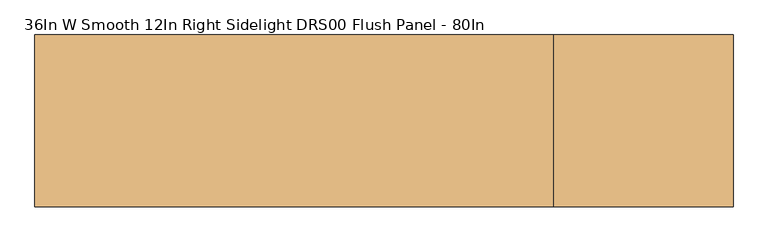
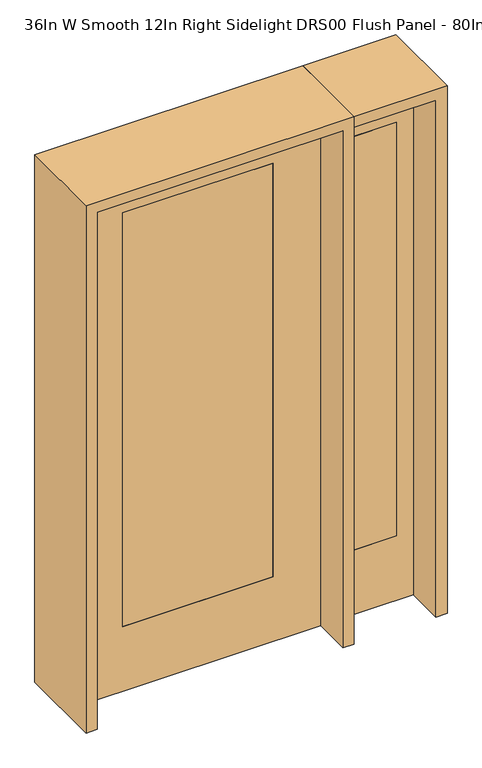
"""IFC4 building model written with IfcOpenShell, lengths in millimetres: door geometry, 36In W Smooth 12In Right Sidelight DRS00 Flush Panel - 80In."""

from ifc_helpers import new_model, si_unit, frame, origin, place, context, project, spatial, polyline, outline, extrude, source, transform, mapped, element, save


def door_36in_w_smooth_12in_right_sidelight_drs00_flush_panel_3be94fcc(model_context):
    return source(origin(), model_context, "Body", "SweptSolid", [
        extrude(outline(polyline([(739.775, -20.6375), (561.975, -20.6375), (561.975, 20.6375), (739.775, 20.6375), (739.775, -20.6375)])), frame((0.0, 0.0, 254.0), z_axis=(0.0, 0.0, 1.0), x_axis=(1.0, 0.0, 0.0)), (0.0, 0.0, 1.0), 1625.6),
        extrude(outline(polyline([(0.0, 498.475), (0.0, 803.275), (2032.0, 803.275), (2032.0, 498.475), (0.0, 498.475)]), holes=[polyline([(1879.6, 739.775), (254.0, 739.775), (254.0, 561.975), (1879.6, 561.975), (1879.6, 739.775)])]), frame((0.0, -20.6375, 0.0), z_axis=(0.0, 1.0, 0.0), x_axis=(0.0, 0.0, 1.0)), (0.0, 0.0, 1.0), 41.275),
        extrude(outline(polyline([(2032.0, 457.2), (2032.0, -457.2), (0.0, -457.2), (0.0, 457.2), (2032.0, 457.2)]), holes=[polyline([(254.0, 279.4), (254.0, -279.4), (1879.6, -279.4), (1879.6, 279.4), (254.0, 279.4)])]), frame((0.0, -20.701, 0.0), z_axis=(0.0, 1.0, 0.0), x_axis=(0.0, 0.0, 1.0)), (0.0, 0.0, 1.0), 41.402),
        extrude(outline(polyline([(279.4, -20.701), (-279.4, -20.701), (-279.4, 20.701), (279.4, 20.701), (279.4, -20.701)])), frame((0.0, 0.0, 254.0), z_axis=(0.0, 0.0, 1.0), x_axis=(1.0, 0.0, 0.0)), (0.0, 0.0, 1.0), 1625.6),
        extrude(outline(polyline([(2073.275, -498.475), (0.0, -498.475), (0.0, -457.2), (2032.0, -457.2), (2032.0, 457.2), (0.0, 457.2), (0.0, 498.475), (2073.275, 498.475), (2073.275, -498.475)])), frame((0.0, -165.1, 0.0), z_axis=(0.0, 1.0, 0.0), x_axis=(0.0, 0.0, 1.0)), (0.0, 0.0, 1.0), 330.2),
        extrude(outline(polyline([(0.0, 803.275), (0.0, 844.55), (2073.275, 844.55), (2073.275, 498.475), (2032.0, 498.475), (2032.0, 803.275), (0.0, 803.275)])), frame((0.0, -165.1, 0.0), z_axis=(0.0, 1.0, 0.0), x_axis=(0.0, 0.0, 1.0)), (0.0, 0.0, 1.0), 330.2),
    ])


if __name__ == "__main__":
    model = new_model("IFC4")
    model_context = context("Model", 3, world=origin())
    ifc_project = project(units=[si_unit("LENGTHUNIT", "METRE", prefix="MILLI")], contexts=[model_context])
    site = spatial("IfcSite", under=ifc_project)
    building = spatial("IfcBuilding", under=site)
    placement = place(None, origin())
    door_36in_w_smooth_12in_right_sidelight_drs00_flush_panel_shape = door_36in_w_smooth_12in_right_sidelight_drs00_flush_panel_3be94fcc(model_context)
    element("IfcDoor", 1, ObjectType="36In W Smooth 12In Right Sidelight DRS00 Flush Panel - 80In", at=placement, inside=building, context=model_context, shape_type="MappedRepresentation", body=[
        mapped(door_36in_w_smooth_12in_right_sidelight_drs00_flush_panel_shape, transform((0.0, 0.0, 0.0), x_axis=(1.0, 0.0, 0.0), y_axis=(0.0, 1.0, 0.0), z_axis=(0.0, 0.0, 1.0))),
    ])
    save(model, "model.ifc")
